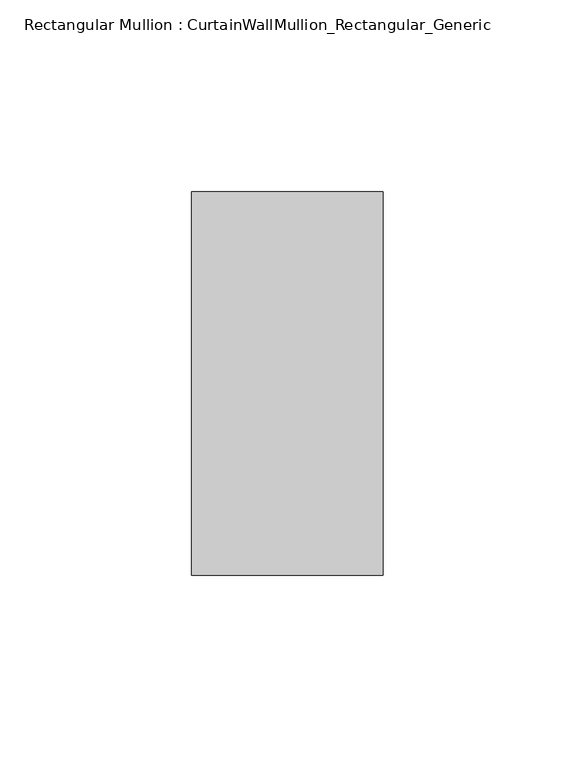
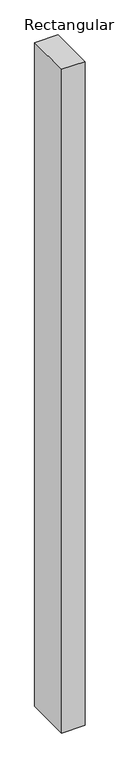
"""IFC4 building model written with IfcOpenShell, lengths in millimetres: member geometry, Rectangular Mullion : CurtainWallMullion_Rectangular_Generic."""

from ifc_helpers import new_model, si_unit, frame, origin, place, context, project, spatial, polyline, outline, extrude, source, transform, mapped, element, save


def rectangular_mullion_curtainwallmullion_rectangular_generic_c0600e94(model_context):
    return source(origin(), model_context, "Body", "SweptSolid", [
        extrude(outline(polyline([(25.0, 50.0), (25.0, -50.0), (-25.0, -50.0), (-25.0, 50.0), (25.0, 50.0)])), frame((0.0, 0.0, -1500.0), z_axis=(0.0, 0.0, 1.0), x_axis=(1.0, 0.0, 0.0)), (0.0, 0.0, 1.0), 1500.0),
    ])


if __name__ == "__main__":
    model = new_model("IFC4")
    model_context = context("Model", 3, world=origin())
    ifc_project = project(units=[si_unit("LENGTHUNIT", "METRE", prefix="MILLI")], contexts=[model_context])
    site = spatial("IfcSite", under=ifc_project)
    building = spatial("IfcBuilding", under=site)
    placement = place(None, origin())
    rectangular_mullion_curtainwallmullion_rectangular_generic_shape = rectangular_mullion_curtainwallmullion_rectangular_generic_c0600e94(model_context)
    element("IfcMember", 1, ObjectType="Rectangular Mullion : CurtainWallMullion_Rectangular_Generic", at=placement, inside=building, context=model_context, shape_type="MappedRepresentation", body=[
        mapped(rectangular_mullion_curtainwallmullion_rectangular_generic_shape, transform((0.0, 0.0, 0.0), x_axis=(1.0, 0.0, 0.0), y_axis=(0.0, 1.0, 0.0), z_axis=(0.0, 0.0, 1.0))),
    ])
    save(model, "model.ifc")
